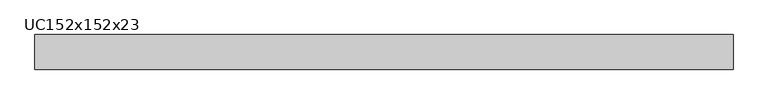
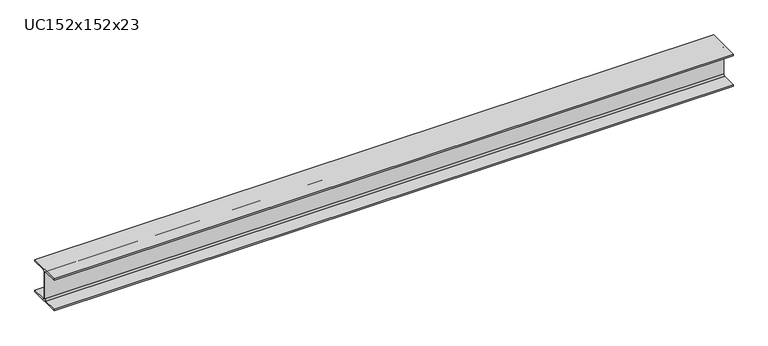
"""IFC4 building model written with IfcOpenShell, lengths in millimetres: beam geometry, UC152x152x23."""

import ifcopenshell
import ifcopenshell.guid

model = None  # the IFC model being written
_history = None  # IfcOwnerHistory: only IFC2X3 demands one
_inside = {}  # id of a spatial element -> (the spatial element, [elements in it])
_under = {}  # id of a project, library or spatial element -> (it, [spatial elements below it])
_declared = {}  # id of a project -> (the project, [libraries it declares])
_typed = {}  # id of a type object -> (the type object, [elements of that type])
_made_of = {}  # id of a material, layer set ... -> (it, [elements and type objects made of it])


def new_model(schema):
    """Start an empty IFC model of exactly this schema.

    Asked for "IFC4X3", IfcOpenShell would pick the latest addendum, in which some entities
    have other attributes; the version numbers below select the first issue.
    IFC2X3 requires an IfcOwnerHistory on every rooted entity: one is made here for all.
    """
    global model, _history
    if schema == "IFC4X3":
        model = ifcopenshell.file(schema_version=(4, 3, 0, 0))
    else:
        model = ifcopenshell.file(schema=schema)
    _inside.clear()
    _under.clear()
    _declared.clear()
    _typed.clear()
    _made_of.clear()
    _history = None
    if model.schema == "IFC2X3":
        org = make("IfcOrganization", Name="unknown")
        user = make(
            "IfcPersonAndOrganization",
            ThePerson=make("IfcPerson", FamilyName="unknown"),
            TheOrganization=org,
        )
        app = make(
            "IfcApplication",
            ApplicationDeveloper=org,
            Version="unknown",
            ApplicationFullName="unknown",
            ApplicationIdentifier="unknown",
        )
        _history = make(
            "IfcOwnerHistory",
            OwningUser=user,
            OwningApplication=app,
            ChangeAction="ADDED",
            CreationDate=0,
        )
    return model


def make(cls, **values):
    """One entity of the class cls with the attributes given. An attribute that is None is left unset."""
    return model.create_entity(
        cls, **{name: value for name, value in values.items() if value is not None}
    )


def rooted(cls, **values):
    """An entity with a GlobalId (a new one), such as an element, a storey or a relation."""
    return make(cls, GlobalId=ifcopenshell.guid.new(), OwnerHistory=_history, **values)


def si_unit(unit_type, name, prefix=None):
    """IfcSIUnit, for example si_unit("LENGTHUNIT", "METRE", prefix="MILLI")."""
    return make("IfcSIUnit", UnitType=unit_type, Prefix=prefix, Name=name)


def assignment(units):
    """IfcUnitAssignment: the units of a project."""
    return None if units is None else make("IfcUnitAssignment", Units=units)


def point(xyz):
    """IfcCartesianPoint."""
    return None if xyz is None else make("IfcCartesianPoint", Coordinates=xyz)


def direction(xyz):
    """IfcDirection."""
    return None if xyz is None else make("IfcDirection", DirectionRatios=xyz)


def frame(location, z_axis=None, x_axis=None):
    """IfcAxis2Placement3D, a coordinate frame: its origin and axes. An axis left out is left unset."""
    return make(
        "IfcAxis2Placement3D",
        Location=point(location),
        Axis=direction(z_axis),
        RefDirection=direction(x_axis),
    )


def frame_2d(location, x_axis=None):
    """IfcAxis2Placement2D, a coordinate frame in the plane: its origin and x axis."""
    return make(
        "IfcAxis2Placement2D", Location=point(location), RefDirection=direction(x_axis)
    )


def origin():
    """The frame at (0, 0, 0) with its axes left unset."""
    return frame((0.0, 0.0, 0.0))


def place(relative_to, where):
    """IfcLocalPlacement: puts the frame where relative to a parent placement (None: the world)."""
    return make(
        "IfcLocalPlacement", PlacementRelTo=relative_to, RelativePlacement=where
    )


def context(
    kind, dimensions, precision=None, world=None, true_north=None, identifier=None
):
    """IfcGeometricRepresentationContext, for example the 3D "Model" context."""
    return make(
        "IfcGeometricRepresentationContext",
        ContextIdentifier=identifier,
        ContextType=kind,
        CoordinateSpaceDimension=dimensions,
        Precision=precision,
        WorldCoordinateSystem=world,
        TrueNorth=true_north,
    )


def project(units=None, contexts=None):
    """IfcProject with its units and contexts."""
    return rooted(
        "IfcProject",
        Name="project",
        RepresentationContexts=contexts,
        UnitsInContext=assignment(units),
    )


def spatial(cls, under=None, at=None, **own):
    """A site, building, storey or space (cls), placed at a placement, below another one or the project."""
    s = rooted(cls, ObjectPlacement=at, **own)
    if under is not None:
        _under.setdefault(under.id(), (under, []))[1].append(s)
    return s


def polyline(points):
    """IfcPolyline through the points."""
    return make("IfcPolyline", Points=[point(p) for p in points])


def circle_curve(where, radius):
    """IfcCircle in the frame where."""
    return make("IfcCircle", Position=where, Radius=radius)


def trimmed(basis, trim1, trim2, sense, master):
    """IfcTrimmedCurve: the piece of a basis curve between two trims."""
    return make(
        "IfcTrimmedCurve",
        BasisCurve=basis,
        Trim1=trim1,
        Trim2=trim2,
        SenseAgreement=sense,
        MasterRepresentation=master,
    )


def segment(curve, same_sense, transition):
    """IfcCompositeCurveSegment."""
    return make(
        "IfcCompositeCurveSegment",
        Transition=transition,
        SameSense=same_sense,
        ParentCurve=curve,
    )


def composite_curve(segments, self_intersect=None):
    """IfcCompositeCurve: segments joined end to end."""
    return make("IfcCompositeCurve", Segments=segments, SelfIntersect=self_intersect)


def outline(outer, holes=None, kind="AREA"):
    """IfcArbitraryClosedProfileDef: a profile drawn as a closed curve; with holes, ...WithVoids."""
    if holes is None:
        return make("IfcArbitraryClosedProfileDef", ProfileType=kind, OuterCurve=outer)
    return make(
        "IfcArbitraryProfileDefWithVoids",
        ProfileType=kind,
        OuterCurve=outer,
        InnerCurves=holes,
    )


def extrude(swept, where, along, depth):
    """IfcExtrudedAreaSolid: the profile swept, set in the frame where, extruded along a direction by depth."""
    return make(
        "IfcExtrudedAreaSolid",
        SweptArea=swept,
        Position=where,
        ExtrudedDirection=direction(along),
        Depth=depth,
    )


def shape(context_of_items, identifier, shape_type, items):
    """IfcShapeRepresentation: the items that make up one representation, for example the "Body"."""
    return make(
        "IfcShapeRepresentation",
        ContextOfItems=context_of_items,
        RepresentationIdentifier=identifier,
        RepresentationType=shape_type,
        Items=items,
    )


def source(mapping_origin, context_of_items, identifier, shape_type, items):
    """IfcRepresentationMap: a shape defined once, which mapped items show again and again."""
    return make(
        "IfcRepresentationMap",
        MappingOrigin=mapping_origin,
        MappedRepresentation=shape(context_of_items, identifier, shape_type, items),
    )


def transform(
    local_origin,
    x_axis=None,
    y_axis=None,
    z_axis=None,
    scale=None,
    scale2=None,
    scale3=None,
    uniform=True,
):
    """IfcCartesianTransformationOperator3D, or its non-uniform kind. x_axis, y_axis, z_axis: its Axis1, 2, 3."""
    if uniform:
        return make(
            "IfcCartesianTransformationOperator3D",
            Axis1=direction(x_axis),
            Axis2=direction(y_axis),
            LocalOrigin=point(local_origin),
            Scale=scale,
            Axis3=direction(z_axis),
        )
    return make(
        "IfcCartesianTransformationOperator3DnonUniform",
        Axis1=direction(x_axis),
        Axis2=direction(y_axis),
        LocalOrigin=point(local_origin),
        Scale=scale,
        Axis3=direction(z_axis),
        Scale2=scale2,
        Scale3=scale3,
    )


def mapped(mapping_source, mapping_target):
    """IfcMappedItem: shows the shape of a source again, moved by a transform."""
    return make(
        "IfcMappedItem", MappingSource=mapping_source, MappingTarget=mapping_target
    )


def made_of(thing, what):
    """Note that an element or type object is made of a material, layer set ...; save() writes the relation."""
    if what is not None:
        _made_of.setdefault(what.id(), (what, []))[1].append(thing)
    return thing


def element(
    cls,
    number,
    at=None,
    inside=None,
    cuts=None,
    type_object=None,
    material=None,
    context=None,
    identifier="Body",
    shape_type=None,
    held_by="IfcProductDefinitionShape",
    body=None,
    shapes=None,
    **own,
):
    """One element of the class cls, such as IfcWall. Its Tag is "e" and its number.

    at: its placement. inside: the storey or other place that contains it. cuts: it is an
    opening in that element (IfcRelVoidsElement). A single representation is given by context,
    identifier, shape_type and body (its items); several are given by shapes. held_by: the class
    of the entity that holds the representations. save() writes the other relations.
    """
    e = rooted(cls, Tag="e%d" % number, ObjectPlacement=at, **own)
    if body is not None:
        shapes = [shape(context, identifier, shape_type, body)]
    if shapes is not None:
        e.Representation = make(held_by, Representations=shapes)
    if inside is not None:
        _inside.setdefault(inside.id(), (inside, []))[1].append(e)
    if cuts is not None:
        rooted(
            "IfcRelVoidsElement", RelatingBuildingElement=cuts, RelatedOpeningElement=e
        )
    if type_object is not None:
        _typed.setdefault(type_object.id(), (type_object, []))[1].append(e)
    return made_of(e, material)


def aggregate(whole, parts):
    """IfcRelAggregates: a whole, such as a stair, and the parts it consists of."""
    return rooted("IfcRelAggregates", RelatingObject=whole, RelatedObjects=parts)


def save(model, path):
    """Write the relations noted so far, then the file.

    IfcRelAggregates (storeys below a building ...), IfcRelContainedInSpatialStructure (elements
    in a storey), IfcRelDefinesByType, IfcRelAssociatesMaterial and IfcRelDeclares: one each for
    every whole, place, type object, material and project.
    """
    for whole, parts in _under.values():
        aggregate(whole, parts)
    for where, things in _inside.values():
        rooted(
            "IfcRelContainedInSpatialStructure",
            RelatedElements=things,
            RelatingStructure=where,
        )
    for kind, things in _typed.values():
        rooted("IfcRelDefinesByType", RelatedObjects=things, RelatingType=kind)
    for what, things in _made_of.values():
        rooted("IfcRelAssociatesMaterial", RelatedObjects=things, RelatingMaterial=what)
    for by, libraries in _declared.values():
        rooted("IfcRelDeclares", RelatingContext=by, RelatedDefinitions=libraries)
    model.write(path)


def uc152x152x23_a537c287(model_context):
    return source(origin(), model_context, "Body", "SweptSolid", [
        extrude(outline(composite_curve([segment(polyline([(76.1, -69.4), (76.1, -76.2), (-76.1, -76.2), (-76.1, -69.4), (-10.5, -69.4)]), True, "CONTINUOUS"), segment(trimmed(circle_curve(frame_2d((-10.5, -61.8)), 7.6), [point((-10.5, -69.4))], [point((-2.9, -61.8))], True, "CARTESIAN"), True, "CONTINUOUS"), segment(polyline([(-2.9, -61.8), (-2.9, 61.8)]), True, "CONTINUOUS"), segment(trimmed(circle_curve(frame_2d((-10.5, 61.8)), 7.6), [point((-2.9, 61.8))], [point((-10.5, 69.4))], True, "CARTESIAN"), True, "CONTINUOUS"), segment(polyline([(-10.5, 69.4), (-76.1, 69.4), (-76.1, 76.2), (76.1, 76.2), (76.1, 69.4), (10.5, 69.4)]), True, "CONTINUOUS"), segment(trimmed(circle_curve(frame_2d((10.5, 61.8)), 7.6), [point((10.5, 69.4))], [point((2.9, 61.8))], True, "CARTESIAN"), True, "CONTINUOUS"), segment(polyline([(2.9, 61.8), (2.9, -61.8)]), True, "CONTINUOUS"), segment(trimmed(circle_curve(frame_2d((10.5, -61.8)), 7.6), [point((2.9, -61.8))], [point((10.5, -69.4))], True, "CARTESIAN"), True, "CONTINUOUS"), segment(polyline([(10.5, -69.4), (76.1, -69.4)]), True, "CONTINUOUS")], self_intersect=False)), frame((-1535.9, 0.0, 0.0), z_axis=(1.0, 0.0, 0.0), x_axis=(0.0, 1.0, 0.0)), (0.0, 0.0, 1.0), 3071.8),
    ])


if __name__ == "__main__":
    model = new_model("IFC4")
    model_context = context("Model", 3, world=origin())
    ifc_project = project(units=[si_unit("LENGTHUNIT", "METRE", prefix="MILLI")], contexts=[model_context])
    site = spatial("IfcSite", under=ifc_project)
    building = spatial("IfcBuilding", under=site)
    placement = place(None, origin())
    uc152x152x23_shape = uc152x152x23_a537c287(model_context)
    element("IfcBeam", 1, ObjectType="UC152x152x23", at=placement, inside=building, context=model_context, shape_type="MappedRepresentation", body=[
        mapped(uc152x152x23_shape, transform((0.0, 0.0, 0.0), x_axis=(1.0, 0.0, 0.0), y_axis=(0.0, 1.0, 0.0), z_axis=(0.0, 0.0, 1.0))),
    ])
    save(model, "model.ifc")
